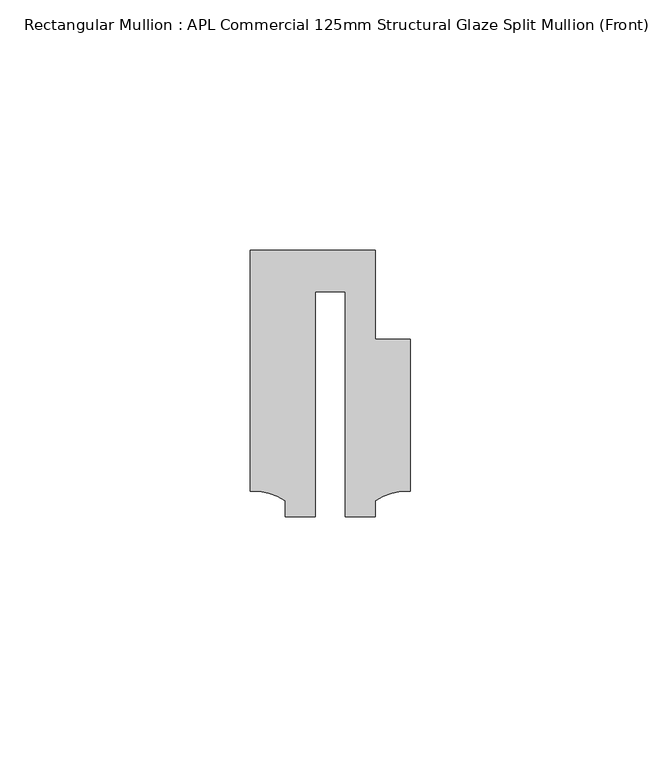
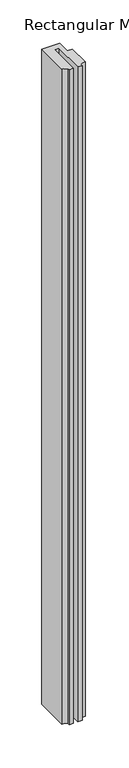
"""IFC4 building model written with IfcOpenShell, lengths in millimetres: member geometry, Rectangular Mullion : APL Commercial 125mm Structural Glaze Split Mullion (Front)."""

import ifcopenshell
import ifcopenshell.guid

model = None  # the IFC model being written
_history = None  # IfcOwnerHistory: only IFC2X3 demands one
_inside = {}  # id of a spatial element -> (the spatial element, [elements in it])
_under = {}  # id of a project, library or spatial element -> (it, [spatial elements below it])
_declared = {}  # id of a project -> (the project, [libraries it declares])
_typed = {}  # id of a type object -> (the type object, [elements of that type])
_made_of = {}  # id of a material, layer set ... -> (it, [elements and type objects made of it])


def new_model(schema):
    """Start an empty IFC model of exactly this schema.

    Asked for "IFC4X3", IfcOpenShell would pick the latest addendum, in which some entities
    have other attributes; the version numbers below select the first issue.
    IFC2X3 requires an IfcOwnerHistory on every rooted entity: one is made here for all.
    """
    global model, _history
    if schema == "IFC4X3":
        model = ifcopenshell.file(schema_version=(4, 3, 0, 0))
    else:
        model = ifcopenshell.file(schema=schema)
    _inside.clear()
    _under.clear()
    _declared.clear()
    _typed.clear()
    _made_of.clear()
    _history = None
    if model.schema == "IFC2X3":
        org = make("IfcOrganization", Name="unknown")
        user = make(
            "IfcPersonAndOrganization",
            ThePerson=make("IfcPerson", FamilyName="unknown"),
            TheOrganization=org,
        )
        app = make(
            "IfcApplication",
            ApplicationDeveloper=org,
            Version="unknown",
            ApplicationFullName="unknown",
            ApplicationIdentifier="unknown",
        )
        _history = make(
            "IfcOwnerHistory",
            OwningUser=user,
            OwningApplication=app,
            ChangeAction="ADDED",
            CreationDate=0,
        )
    return model


def make(cls, **values):
    """One entity of the class cls with the attributes given. An attribute that is None is left unset."""
    return model.create_entity(
        cls, **{name: value for name, value in values.items() if value is not None}
    )


def rooted(cls, **values):
    """An entity with a GlobalId (a new one), such as an element, a storey or a relation."""
    return make(cls, GlobalId=ifcopenshell.guid.new(), OwnerHistory=_history, **values)


def si_unit(unit_type, name, prefix=None):
    """IfcSIUnit, for example si_unit("LENGTHUNIT", "METRE", prefix="MILLI")."""
    return make("IfcSIUnit", UnitType=unit_type, Prefix=prefix, Name=name)


def assignment(units):
    """IfcUnitAssignment: the units of a project."""
    return None if units is None else make("IfcUnitAssignment", Units=units)


def point(xyz):
    """IfcCartesianPoint."""
    return None if xyz is None else make("IfcCartesianPoint", Coordinates=xyz)


def direction(xyz):
    """IfcDirection."""
    return None if xyz is None else make("IfcDirection", DirectionRatios=xyz)


def frame(location, z_axis=None, x_axis=None):
    """IfcAxis2Placement3D, a coordinate frame: its origin and axes. An axis left out is left unset."""
    return make(
        "IfcAxis2Placement3D",
        Location=point(location),
        Axis=direction(z_axis),
        RefDirection=direction(x_axis),
    )


def frame_2d(location, x_axis=None):
    """IfcAxis2Placement2D, a coordinate frame in the plane: its origin and x axis."""
    return make(
        "IfcAxis2Placement2D", Location=point(location), RefDirection=direction(x_axis)
    )


def origin():
    """The frame at (0, 0, 0) with its axes left unset."""
    return frame((0.0, 0.0, 0.0))


def place(relative_to, where):
    """IfcLocalPlacement: puts the frame where relative to a parent placement (None: the world)."""
    return make(
        "IfcLocalPlacement", PlacementRelTo=relative_to, RelativePlacement=where
    )


def context(
    kind, dimensions, precision=None, world=None, true_north=None, identifier=None
):
    """IfcGeometricRepresentationContext, for example the 3D "Model" context."""
    return make(
        "IfcGeometricRepresentationContext",
        ContextIdentifier=identifier,
        ContextType=kind,
        CoordinateSpaceDimension=dimensions,
        Precision=precision,
        WorldCoordinateSystem=world,
        TrueNorth=true_north,
    )


def project(units=None, contexts=None):
    """IfcProject with its units and contexts."""
    return rooted(
        "IfcProject",
        Name="project",
        RepresentationContexts=contexts,
        UnitsInContext=assignment(units),
    )


def spatial(cls, under=None, at=None, **own):
    """A site, building, storey or space (cls), placed at a placement, below another one or the project."""
    s = rooted(cls, ObjectPlacement=at, **own)
    if under is not None:
        _under.setdefault(under.id(), (under, []))[1].append(s)
    return s


def polyline(points):
    """IfcPolyline through the points."""
    return make("IfcPolyline", Points=[point(p) for p in points])


def circle_curve(where, radius):
    """IfcCircle in the frame where."""
    return make("IfcCircle", Position=where, Radius=radius)


def trimmed(basis, trim1, trim2, sense, master):
    """IfcTrimmedCurve: the piece of a basis curve between two trims."""
    return make(
        "IfcTrimmedCurve",
        BasisCurve=basis,
        Trim1=trim1,
        Trim2=trim2,
        SenseAgreement=sense,
        MasterRepresentation=master,
    )


def segment(curve, same_sense, transition):
    """IfcCompositeCurveSegment."""
    return make(
        "IfcCompositeCurveSegment",
        Transition=transition,
        SameSense=same_sense,
        ParentCurve=curve,
    )


def composite_curve(segments, self_intersect=None):
    """IfcCompositeCurve: segments joined end to end."""
    return make("IfcCompositeCurve", Segments=segments, SelfIntersect=self_intersect)


def outline(outer, holes=None, kind="AREA"):
    """IfcArbitraryClosedProfileDef: a profile drawn as a closed curve; with holes, ...WithVoids."""
    if holes is None:
        return make("IfcArbitraryClosedProfileDef", ProfileType=kind, OuterCurve=outer)
    return make(
        "IfcArbitraryProfileDefWithVoids",
        ProfileType=kind,
        OuterCurve=outer,
        InnerCurves=holes,
    )


def extrude(swept, where, along, depth):
    """IfcExtrudedAreaSolid: the profile swept, set in the frame where, extruded along a direction by depth."""
    return make(
        "IfcExtrudedAreaSolid",
        SweptArea=swept,
        Position=where,
        ExtrudedDirection=direction(along),
        Depth=depth,
    )


def shape(context_of_items, identifier, shape_type, items):
    """IfcShapeRepresentation: the items that make up one representation, for example the "Body"."""
    return make(
        "IfcShapeRepresentation",
        ContextOfItems=context_of_items,
        RepresentationIdentifier=identifier,
        RepresentationType=shape_type,
        Items=items,
    )


def source(mapping_origin, context_of_items, identifier, shape_type, items):
    """IfcRepresentationMap: a shape defined once, which mapped items show again and again."""
    return make(
        "IfcRepresentationMap",
        MappingOrigin=mapping_origin,
        MappedRepresentation=shape(context_of_items, identifier, shape_type, items),
    )


def transform(
    local_origin,
    x_axis=None,
    y_axis=None,
    z_axis=None,
    scale=None,
    scale2=None,
    scale3=None,
    uniform=True,
):
    """IfcCartesianTransformationOperator3D, or its non-uniform kind. x_axis, y_axis, z_axis: its Axis1, 2, 3."""
    if uniform:
        return make(
            "IfcCartesianTransformationOperator3D",
            Axis1=direction(x_axis),
            Axis2=direction(y_axis),
            LocalOrigin=point(local_origin),
            Scale=scale,
            Axis3=direction(z_axis),
        )
    return make(
        "IfcCartesianTransformationOperator3DnonUniform",
        Axis1=direction(x_axis),
        Axis2=direction(y_axis),
        LocalOrigin=point(local_origin),
        Scale=scale,
        Axis3=direction(z_axis),
        Scale2=scale2,
        Scale3=scale3,
    )


def mapped(mapping_source, mapping_target):
    """IfcMappedItem: shows the shape of a source again, moved by a transform."""
    return make(
        "IfcMappedItem", MappingSource=mapping_source, MappingTarget=mapping_target
    )


def made_of(thing, what):
    """Note that an element or type object is made of a material, layer set ...; save() writes the relation."""
    if what is not None:
        _made_of.setdefault(what.id(), (what, []))[1].append(thing)
    return thing


def element(
    cls,
    number,
    at=None,
    inside=None,
    cuts=None,
    type_object=None,
    material=None,
    context=None,
    identifier="Body",
    shape_type=None,
    held_by="IfcProductDefinitionShape",
    body=None,
    shapes=None,
    **own,
):
    """One element of the class cls, such as IfcWall. Its Tag is "e" and its number.

    at: its placement. inside: the storey or other place that contains it. cuts: it is an
    opening in that element (IfcRelVoidsElement). A single representation is given by context,
    identifier, shape_type and body (its items); several are given by shapes. held_by: the class
    of the entity that holds the representations. save() writes the other relations.
    """
    e = rooted(cls, Tag="e%d" % number, ObjectPlacement=at, **own)
    if body is not None:
        shapes = [shape(context, identifier, shape_type, body)]
    if shapes is not None:
        e.Representation = make(held_by, Representations=shapes)
    if inside is not None:
        _inside.setdefault(inside.id(), (inside, []))[1].append(e)
    if cuts is not None:
        rooted(
            "IfcRelVoidsElement", RelatingBuildingElement=cuts, RelatedOpeningElement=e
        )
    if type_object is not None:
        _typed.setdefault(type_object.id(), (type_object, []))[1].append(e)
    return made_of(e, material)


def aggregate(whole, parts):
    """IfcRelAggregates: a whole, such as a stair, and the parts it consists of."""
    return rooted("IfcRelAggregates", RelatingObject=whole, RelatedObjects=parts)


def save(model, path):
    """Write the relations noted so far, then the file.

    IfcRelAggregates (storeys below a building ...), IfcRelContainedInSpatialStructure (elements
    in a storey), IfcRelDefinesByType, IfcRelAssociatesMaterial and IfcRelDeclares: one each for
    every whole, place, type object, material and project.
    """
    for whole, parts in _under.values():
        aggregate(whole, parts)
    for where, things in _inside.values():
        rooted(
            "IfcRelContainedInSpatialStructure",
            RelatedElements=things,
            RelatingStructure=where,
        )
    for kind, things in _typed.values():
        rooted("IfcRelDefinesByType", RelatedObjects=things, RelatingType=kind)
    for what, things in _made_of.values():
        rooted("IfcRelAssociatesMaterial", RelatedObjects=things, RelatingMaterial=what)
    for by, libraries in _declared.values():
        rooted("IfcRelDeclares", RelatingContext=by, RelatedDefinitions=libraries)
    model.write(path)


def rectangular_mullion_apl_commercial_125mm_structural_glaze_8d3d839c(model_context):
    return source(origin(), model_context, "Body", "SweptSolid", [
        extrude(outline(composite_curve([segment(polyline([(15.9999391, 14.9953356), (15.9999391, -15.3837352)]), True, "CONTINUOUS"), segment(trimmed(circle_curve(frame_2d((15.1098019, -25.802169)), 10.4563907), [point((15.9999391, -15.3837352))], [point((8.9999842, -17.3165203))], True, "CARTESIAN"), True, "CONTINUOUS"), segment(polyline([(8.9999842, -17.3165203), (8.9999842, -20.5039877), (2.9999676, -20.5039877), (2.9999676, 24.5130805), (-2.9999659, 24.5130805), (-2.9999659, -20.5039877), (-8.9999842, -20.5039877), (-8.9999842, -17.3165203)]), True, "CONTINUOUS"), segment(trimmed(circle_curve(frame_2d((-15.1098019, -25.802169)), 10.4563907), [point((-8.9999842, -17.3165203))], [point((-15.9999391, -15.3837352))], True, "CARTESIAN"), True, "CONTINUOUS"), segment(polyline([(-15.9999391, -15.3837352), (-15.9999391, 32.7960123), (9.0, 32.7960123), (9.0, 14.9953356), (15.9999391, 14.9953356)]), True, "CONTINUOUS")], self_intersect=False)), frame((0.0, 0.0, -956.8333313), z_axis=(0.0, 0.0, 1.0), x_axis=(1.0, 0.0, 0.0)), (0.0, 0.0, 1.0), 956.8333313),
    ])


if __name__ == "__main__":
    model = new_model("IFC4")
    model_context = context("Model", 3, world=origin())
    ifc_project = project(units=[si_unit("LENGTHUNIT", "METRE", prefix="MILLI")], contexts=[model_context])
    site = spatial("IfcSite", under=ifc_project)
    building = spatial("IfcBuilding", under=site)
    placement = place(None, origin())
    rectangular_mullion_apl_commercial_125mm_structural_glaze_shape = rectangular_mullion_apl_commercial_125mm_structural_glaze_8d3d839c(model_context)
    element("IfcMember", 1, ObjectType="Rectangular Mullion : APL Commercial 125mm Structural Glaze Split Mullion (Front)", at=placement, inside=building, context=model_context, shape_type="MappedRepresentation", body=[
        mapped(rectangular_mullion_apl_commercial_125mm_structural_glaze_shape, transform((0.0, 0.0, 0.0), x_axis=(1.0, 0.0, 0.0), y_axis=(0.0, 1.0, 0.0), z_axis=(0.0, 0.0, 1.0))),
    ])
    save(model, "model.ifc")
